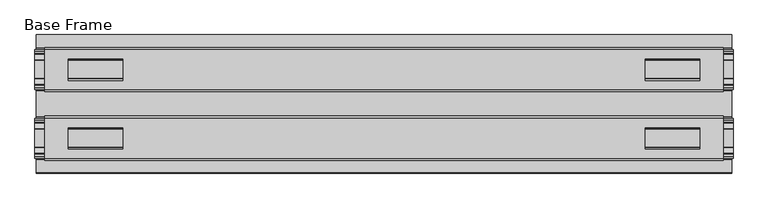
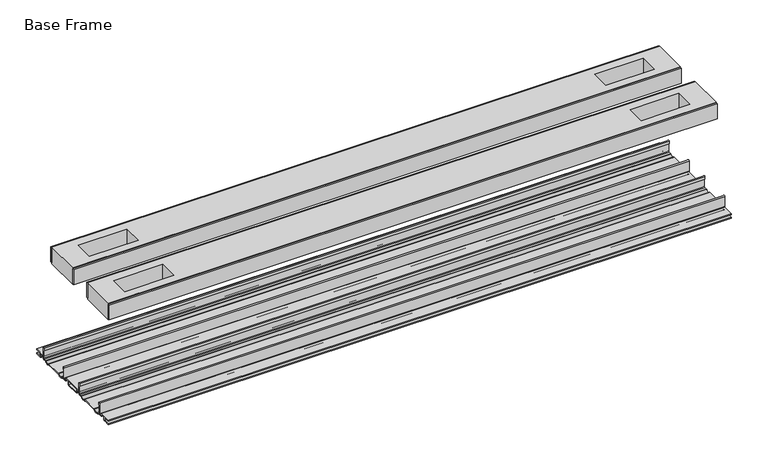
"""IFC4 building model written with IfcOpenShell, lengths in millimetres: proxy geometry, Base Frame."""

import ifcopenshell
import ifcopenshell.guid

model = None  # the IFC model being written
_history = None  # IfcOwnerHistory: only IFC2X3 demands one
_inside = {}  # id of a spatial element -> (the spatial element, [elements in it])
_under = {}  # id of a project, library or spatial element -> (it, [spatial elements below it])
_declared = {}  # id of a project -> (the project, [libraries it declares])
_typed = {}  # id of a type object -> (the type object, [elements of that type])
_made_of = {}  # id of a material, layer set ... -> (it, [elements and type objects made of it])


def new_model(schema):
    """Start an empty IFC model of exactly this schema.

    Asked for "IFC4X3", IfcOpenShell would pick the latest addendum, in which some entities
    have other attributes; the version numbers below select the first issue.
    IFC2X3 requires an IfcOwnerHistory on every rooted entity: one is made here for all.
    """
    global model, _history
    if schema == "IFC4X3":
        model = ifcopenshell.file(schema_version=(4, 3, 0, 0))
    else:
        model = ifcopenshell.file(schema=schema)
    _inside.clear()
    _under.clear()
    _declared.clear()
    _typed.clear()
    _made_of.clear()
    _history = None
    if model.schema == "IFC2X3":
        org = make("IfcOrganization", Name="unknown")
        user = make(
            "IfcPersonAndOrganization",
            ThePerson=make("IfcPerson", FamilyName="unknown"),
            TheOrganization=org,
        )
        app = make(
            "IfcApplication",
            ApplicationDeveloper=org,
            Version="unknown",
            ApplicationFullName="unknown",
            ApplicationIdentifier="unknown",
        )
        _history = make(
            "IfcOwnerHistory",
            OwningUser=user,
            OwningApplication=app,
            ChangeAction="ADDED",
            CreationDate=0,
        )
    return model


def make(cls, **values):
    """One entity of the class cls with the attributes given. An attribute that is None is left unset."""
    return model.create_entity(
        cls, **{name: value for name, value in values.items() if value is not None}
    )


def rooted(cls, **values):
    """An entity with a GlobalId (a new one), such as an element, a storey or a relation."""
    return make(cls, GlobalId=ifcopenshell.guid.new(), OwnerHistory=_history, **values)


def si_unit(unit_type, name, prefix=None):
    """IfcSIUnit, for example si_unit("LENGTHUNIT", "METRE", prefix="MILLI")."""
    return make("IfcSIUnit", UnitType=unit_type, Prefix=prefix, Name=name)


def assignment(units):
    """IfcUnitAssignment: the units of a project."""
    return None if units is None else make("IfcUnitAssignment", Units=units)


def point(xyz):
    """IfcCartesianPoint."""
    return None if xyz is None else make("IfcCartesianPoint", Coordinates=xyz)


def direction(xyz):
    """IfcDirection."""
    return None if xyz is None else make("IfcDirection", DirectionRatios=xyz)


def frame(location, z_axis=None, x_axis=None):
    """IfcAxis2Placement3D, a coordinate frame: its origin and axes. An axis left out is left unset."""
    return make(
        "IfcAxis2Placement3D",
        Location=point(location),
        Axis=direction(z_axis),
        RefDirection=direction(x_axis),
    )


def frame_2d(location, x_axis=None):
    """IfcAxis2Placement2D, a coordinate frame in the plane: its origin and x axis."""
    return make(
        "IfcAxis2Placement2D", Location=point(location), RefDirection=direction(x_axis)
    )


def origin():
    """The frame at (0, 0, 0) with its axes left unset."""
    return frame((0.0, 0.0, 0.0))


def place(relative_to, where):
    """IfcLocalPlacement: puts the frame where relative to a parent placement (None: the world)."""
    return make(
        "IfcLocalPlacement", PlacementRelTo=relative_to, RelativePlacement=where
    )


def context(
    kind, dimensions, precision=None, world=None, true_north=None, identifier=None
):
    """IfcGeometricRepresentationContext, for example the 3D "Model" context."""
    return make(
        "IfcGeometricRepresentationContext",
        ContextIdentifier=identifier,
        ContextType=kind,
        CoordinateSpaceDimension=dimensions,
        Precision=precision,
        WorldCoordinateSystem=world,
        TrueNorth=true_north,
    )


def project(units=None, contexts=None):
    """IfcProject with its units and contexts."""
    return rooted(
        "IfcProject",
        Name="project",
        RepresentationContexts=contexts,
        UnitsInContext=assignment(units),
    )


def spatial(cls, under=None, at=None, **own):
    """A site, building, storey or space (cls), placed at a placement, below another one or the project."""
    s = rooted(cls, ObjectPlacement=at, **own)
    if under is not None:
        _under.setdefault(under.id(), (under, []))[1].append(s)
    return s


def polyline(points):
    """IfcPolyline through the points."""
    return make("IfcPolyline", Points=[point(p) for p in points])


def circle_curve(where, radius):
    """IfcCircle in the frame where."""
    return make("IfcCircle", Position=where, Radius=radius)


def trimmed(basis, trim1, trim2, sense, master):
    """IfcTrimmedCurve: the piece of a basis curve between two trims."""
    return make(
        "IfcTrimmedCurve",
        BasisCurve=basis,
        Trim1=trim1,
        Trim2=trim2,
        SenseAgreement=sense,
        MasterRepresentation=master,
    )


def segment(curve, same_sense, transition):
    """IfcCompositeCurveSegment."""
    return make(
        "IfcCompositeCurveSegment",
        Transition=transition,
        SameSense=same_sense,
        ParentCurve=curve,
    )


def composite_curve(segments, self_intersect=None):
    """IfcCompositeCurve: segments joined end to end."""
    return make("IfcCompositeCurve", Segments=segments, SelfIntersect=self_intersect)


def outline(outer, holes=None, kind="AREA"):
    """IfcArbitraryClosedProfileDef: a profile drawn as a closed curve; with holes, ...WithVoids."""
    if holes is None:
        return make("IfcArbitraryClosedProfileDef", ProfileType=kind, OuterCurve=outer)
    return make(
        "IfcArbitraryProfileDefWithVoids",
        ProfileType=kind,
        OuterCurve=outer,
        InnerCurves=holes,
    )


def extrude(swept, where, along, depth):
    """IfcExtrudedAreaSolid: the profile swept, set in the frame where, extruded along a direction by depth."""
    return make(
        "IfcExtrudedAreaSolid",
        SweptArea=swept,
        Position=where,
        ExtrudedDirection=direction(along),
        Depth=depth,
    )


def shape(context_of_items, identifier, shape_type, items):
    """IfcShapeRepresentation: the items that make up one representation, for example the "Body"."""
    return make(
        "IfcShapeRepresentation",
        ContextOfItems=context_of_items,
        RepresentationIdentifier=identifier,
        RepresentationType=shape_type,
        Items=items,
    )


def source(mapping_origin, context_of_items, identifier, shape_type, items):
    """IfcRepresentationMap: a shape defined once, which mapped items show again and again."""
    return make(
        "IfcRepresentationMap",
        MappingOrigin=mapping_origin,
        MappedRepresentation=shape(context_of_items, identifier, shape_type, items),
    )


def transform(
    local_origin,
    x_axis=None,
    y_axis=None,
    z_axis=None,
    scale=None,
    scale2=None,
    scale3=None,
    uniform=True,
):
    """IfcCartesianTransformationOperator3D, or its non-uniform kind. x_axis, y_axis, z_axis: its Axis1, 2, 3."""
    if uniform:
        return make(
            "IfcCartesianTransformationOperator3D",
            Axis1=direction(x_axis),
            Axis2=direction(y_axis),
            LocalOrigin=point(local_origin),
            Scale=scale,
            Axis3=direction(z_axis),
        )
    return make(
        "IfcCartesianTransformationOperator3DnonUniform",
        Axis1=direction(x_axis),
        Axis2=direction(y_axis),
        LocalOrigin=point(local_origin),
        Scale=scale,
        Axis3=direction(z_axis),
        Scale2=scale2,
        Scale3=scale3,
    )


def mapped(mapping_source, mapping_target):
    """IfcMappedItem: shows the shape of a source again, moved by a transform."""
    return make(
        "IfcMappedItem", MappingSource=mapping_source, MappingTarget=mapping_target
    )


def made_of(thing, what):
    """Note that an element or type object is made of a material, layer set ...; save() writes the relation."""
    if what is not None:
        _made_of.setdefault(what.id(), (what, []))[1].append(thing)
    return thing


def element(
    cls,
    number,
    at=None,
    inside=None,
    cuts=None,
    type_object=None,
    material=None,
    context=None,
    identifier="Body",
    shape_type=None,
    held_by="IfcProductDefinitionShape",
    body=None,
    shapes=None,
    **own,
):
    """One element of the class cls, such as IfcWall. Its Tag is "e" and its number.

    at: its placement. inside: the storey or other place that contains it. cuts: it is an
    opening in that element (IfcRelVoidsElement). A single representation is given by context,
    identifier, shape_type and body (its items); several are given by shapes. held_by: the class
    of the entity that holds the representations. save() writes the other relations.
    """
    e = rooted(cls, Tag="e%d" % number, ObjectPlacement=at, **own)
    if body is not None:
        shapes = [shape(context, identifier, shape_type, body)]
    if shapes is not None:
        e.Representation = make(held_by, Representations=shapes)
    if inside is not None:
        _inside.setdefault(inside.id(), (inside, []))[1].append(e)
    if cuts is not None:
        rooted(
            "IfcRelVoidsElement", RelatingBuildingElement=cuts, RelatedOpeningElement=e
        )
    if type_object is not None:
        _typed.setdefault(type_object.id(), (type_object, []))[1].append(e)
    return made_of(e, material)


def aggregate(whole, parts):
    """IfcRelAggregates: a whole, such as a stair, and the parts it consists of."""
    return rooted("IfcRelAggregates", RelatingObject=whole, RelatedObjects=parts)


def save(model, path):
    """Write the relations noted so far, then the file.

    IfcRelAggregates (storeys below a building ...), IfcRelContainedInSpatialStructure (elements
    in a storey), IfcRelDefinesByType, IfcRelAssociatesMaterial and IfcRelDeclares: one each for
    every whole, place, type object, material and project.
    """
    for whole, parts in _under.values():
        aggregate(whole, parts)
    for where, things in _inside.values():
        rooted(
            "IfcRelContainedInSpatialStructure",
            RelatedElements=things,
            RelatingStructure=where,
        )
    for kind, things in _typed.values():
        rooted("IfcRelDefinesByType", RelatedObjects=things, RelatingType=kind)
    for what, things in _made_of.values():
        rooted("IfcRelAssociatesMaterial", RelatedObjects=things, RelatingMaterial=what)
    for by, libraries in _declared.values():
        rooted("IfcRelDeclares", RelatingContext=by, RelatedDefinitions=libraries)
    model.write(path)


def base_frame_da0cdc5c(model_context):
    return source(origin(), model_context, "Body", "SweptSolid", [
        extrude(outline(composite_curve([segment(polyline([(-78.8225461, -7.7516037), (-78.8225461, 9.8607558)]), True, "CONTINUOUS"), segment(trimmed(circle_curve(frame_2d((-77.6033482, 9.8607558)), 1.2191979), [point((-78.8225461, 9.8607558))], [point((-76.3841503, 9.8607558))], False, "CARTESIAN"), True, "CONTINUOUS"), segment(polyline([(-76.3841503, 9.8607558), (-76.3841503, 5.9999563), (-77.6643269, 5.9999563), (-77.6643269, -7.7516037)]), True, "CONTINUOUS"), segment(trimmed(circle_curve(frame_2d((-76.6483061, -7.7516037)), 1.0160208), [point((-77.6643269, -7.7516037))], [point((-76.6548232, -8.7676036))], True, "CARTESIAN"), True, "CONTINUOUS"), segment(polyline([(-76.6548232, -8.7676036), (-72.7118726, -8.7676036), (-71.7985108, -8.968753)]), True, "CONTINUOUS"), segment(trimmed(circle_curve(frame_2d((-67.7735521, -6.1259382)), 4.9276657), [point((-71.7985108, -8.968753))], [point((-63.7485934, -8.968753))], True, "CARTESIAN"), True, "CONTINUOUS"), segment(polyline([(-63.7485934, -8.968753), (-62.8352226, -8.7676036), (-36.7962778, -8.7676036), (-35.8829069, -8.968753)]), True, "CONTINUOUS"), segment(trimmed(circle_curve(frame_2d((-31.8579482, -6.1259382)), 4.9276657), [point((-35.8829069, -8.968753))], [point((-27.8329895, -8.968753))], True, "CARTESIAN"), True, "CONTINUOUS"), segment(polyline([(-27.8329895, -8.968753), (-26.9196277, -8.7676036), (-22.9766772, -8.7676036)]), True, "CONTINUOUS"), segment(trimmed(circle_curve(frame_2d((-22.9831943, -7.7516037)), 1.0160208), [point((-22.9766772, -8.7676036))], [point((-21.9671735, -7.7516037))], True, "CARTESIAN"), True, "CONTINUOUS"), segment(polyline([(-21.9671735, -7.7516037), (-21.9671735, 5.9999563), (-23.2473501, 5.9999563), (-23.2473501, 9.8607558)]), True, "CONTINUOUS"), segment(trimmed(circle_curve(frame_2d((-22.0281522, 9.8607558)), 1.2191979), [point((-23.2473501, 9.8607558))], [point((-20.8089542, 9.8607558))], False, "CARTESIAN"), True, "CONTINUOUS"), segment(polyline([(-20.8089542, 9.8607558), (-20.8089542, -7.7516037)]), True, "CONTINUOUS"), segment(trimmed(circle_curve(frame_2d((-22.9831943, -7.7516037)), 2.17424), [point((-20.8089542, -7.7516037))], [point((-22.9831943, -9.9258438))], False, "CARTESIAN"), True, "CONTINUOUS"), segment(polyline([(-22.9831943, -9.9258438), (-27.274181, -9.9258438)]), True, "CONTINUOUS"), segment(trimmed(circle_curve(frame_2d((-31.8545955, -6.4800016)), 5.7318431), [point((-27.274181, -9.9258438))], [point((-36.43501, -9.9258438))], False, "CARTESIAN"), True, "CONTINUOUS"), segment(polyline([(-36.43501, -9.9258438), (-63.1964904, -9.9258438)]), True, "CONTINUOUS"), segment(trimmed(circle_curve(frame_2d((-67.7769049, -6.4800016)), 5.7318431), [point((-63.1964904, -9.9258438))], [point((-72.3573194, -9.9258438))], False, "CARTESIAN"), True, "CONTINUOUS"), segment(polyline([(-72.3573194, -9.9258438), (-76.6483061, -9.9258438)]), True, "CONTINUOUS"), segment(trimmed(circle_curve(frame_2d((-76.6483061, -7.7516037)), 2.17424), [point((-76.6483061, -9.9258438))], [point((-78.8225461, -7.7516037))], False, "CARTESIAN"), True, "CONTINUOUS")], self_intersect=False)), frame((-506.1204, 0.0, 0.0), z_axis=(1.0, 0.0, 0.0), x_axis=(0.0, 1.0, 0.0)), (0.0, 0.0, 1.0), 1012.2408),
        extrude(outline(composite_curve([segment(trimmed(circle_curve(frame_2d((77.0293057, -7.7516037)), 2.17424), [point((79.2035458, -7.7516037))], [point((77.0293057, -9.9258438))], False, "CARTESIAN"), True, "CONTINUOUS"), segment(polyline([(77.0293057, -9.9258438), (72.738319, -9.9258438)]), True, "CONTINUOUS"), segment(trimmed(circle_curve(frame_2d((68.1579045, -6.4800016)), 5.7318431), [point((72.738319, -9.9258438))], [point((63.57749, -9.9258438))], False, "CARTESIAN"), True, "CONTINUOUS"), segment(polyline([(63.57749, -9.9258438), (36.8160096, -9.9258438)]), True, "CONTINUOUS"), segment(trimmed(circle_curve(frame_2d((32.2355951, -6.4800016)), 5.7318431), [point((36.8160096, -9.9258438))], [point((27.6551806, -9.9258438))], False, "CARTESIAN"), True, "CONTINUOUS"), segment(polyline([(27.6551806, -9.9258438), (23.3641939, -9.9258438)]), True, "CONTINUOUS"), segment(trimmed(circle_curve(frame_2d((23.3641939, -7.7516037)), 2.17424), [point((23.3641939, -9.9258438))], [point((21.1899539, -7.7516037))], False, "CARTESIAN"), True, "CONTINUOUS"), segment(polyline([(21.1899539, -7.7516037), (21.1899539, 9.8607558)]), True, "CONTINUOUS"), segment(trimmed(circle_curve(frame_2d((22.4091518, 9.8607558)), 1.2191979), [point((21.1899539, 9.8607558))], [point((23.6283497, 9.8607558))], False, "CARTESIAN"), True, "CONTINUOUS"), segment(polyline([(23.6283497, 9.8607558), (23.6283497, 5.9999563), (22.3481731, 5.9999563), (22.3481731, -7.7516037)]), True, "CONTINUOUS"), segment(trimmed(circle_curve(frame_2d((23.3641939, -7.7516037)), 1.0160208), [point((22.3481731, -7.7516037))], [point((23.3576768, -8.7676036))], True, "CARTESIAN"), True, "CONTINUOUS"), segment(polyline([(23.3576768, -8.7676036), (27.3006274, -8.7676036), (28.2139892, -8.968753)]), True, "CONTINUOUS"), segment(trimmed(circle_curve(frame_2d((32.2389479, -6.1259382)), 4.9276657), [point((28.2139892, -8.968753))], [point((36.2639066, -8.968753))], True, "CARTESIAN"), True, "CONTINUOUS"), segment(polyline([(36.2639066, -8.968753), (37.1772774, -8.7676036), (63.2162222, -8.7676036), (64.1295931, -8.968753)]), True, "CONTINUOUS"), segment(trimmed(circle_curve(frame_2d((68.1545518, -6.1259382)), 4.9276657), [point((64.1295931, -8.968753))], [point((72.1795105, -8.968753))], True, "CARTESIAN"), True, "CONTINUOUS"), segment(polyline([(72.1795105, -8.968753), (73.0928723, -8.7676036), (77.0358228, -8.7676036)]), True, "CONTINUOUS"), segment(trimmed(circle_curve(frame_2d((77.0293057, -7.7516037)), 1.0160208), [point((77.0358228, -8.7676036))], [point((78.0453265, -7.7516037))], True, "CARTESIAN"), True, "CONTINUOUS"), segment(polyline([(78.0453265, -7.7516037), (78.0453265, 5.9999563), (76.7651499, 5.9999563), (76.7651499, 9.8607558)]), True, "CONTINUOUS"), segment(trimmed(circle_curve(frame_2d((77.9843478, 9.8607558)), 1.2191979), [point((76.7651499, 9.8607558))], [point((79.2035458, 9.8607558))], False, "CARTESIAN"), True, "CONTINUOUS"), segment(polyline([(79.2035458, 9.8607558), (79.2035458, -7.7516037)]), True, "CONTINUOUS")], self_intersect=False)), frame((-506.1204, 0.0, 0.0), z_axis=(1.0, 0.0, 0.0), x_axis=(0.0, 1.0, 0.0)), (0.0, 0.0, 1.0), 1012.2408),
        extrude(outline(polyline([(492.0615091, -78.8225461), (492.0615091, -81.9975522), (-492.0615091, -81.9975522), (-492.0615091, -78.8225461), (492.0615091, -78.8225461)])), frame((0.0, 0.0, 149.8401622), z_axis=(0.0, 0.0, 1.0), x_axis=(1.0, 0.0, 0.0)), (0.0, 0.0, 1.0), 25.3999939),
        extrude(outline(polyline([(492.0615091, -17.6339482), (492.0615091, -20.8089542), (-492.0615091, -20.8089542), (-492.0615091, -17.6339482), (492.0615091, -17.6339482)])), frame((0.0, 0.0, 149.8401622), z_axis=(0.0, 0.0, 1.0), x_axis=(1.0, 0.0, 0.0)), (0.0, 0.0, 1.0), 25.3999939),
        extrude(outline(polyline([(492.0615091, 21.1899493), (492.0615091, 18.0149501), (-492.0615091, 18.0149501), (-492.0615091, 21.1899493), (492.0615091, 21.1899493)])), frame((0.0, 0.0, 149.8401622), z_axis=(0.0, 0.0, 1.0), x_axis=(1.0, 0.0, 0.0)), (0.0, 0.0, 1.0), 25.3999939),
        extrude(outline(polyline([(492.0615091, 82.3785496), (492.0615091, 79.2035503), (-492.0615091, 79.2035503), (-492.0615091, 82.3785496), (492.0615091, 82.3785496)])), frame((0.0, 0.0, 149.8401622), z_axis=(0.0, 0.0, 1.0), x_axis=(1.0, 0.0, 0.0)), (0.0, 0.0, 1.0), 25.3999939),
        extrude(outline(polyline([(492.0615091, 79.2035503), (492.0615091, 21.1899493), (-492.0615091, 21.1899493), (-492.0615091, 79.2035503), (492.0615091, 79.2035503)]), holes=[polyline([(457.6444965, 65.3097536), (378.5996847, 65.3097536), (378.5996847, 34.3217468), (457.6444965, 34.3217468), (457.6444965, 65.3097536)]), polyline([(-457.6444965, 65.3097536), (-457.6444965, 34.3217468), (-378.5996847, 34.3217468), (-378.5996847, 65.3097536), (-457.6444965, 65.3097536)])]), frame((0.0, 0.0, 148.4185847), z_axis=(0.0, 0.0, 1.0), x_axis=(1.0, 0.0, 0.0)), (0.0, 0.0, 1.0), 27.9999988),
        extrude(outline(polyline([(492.0615091, -78.8225461), (-492.0615091, -78.8225461), (-492.0615091, -20.8224524), (492.0615091, -20.8224524), (492.0615091, -78.8225461)]), holes=[polyline([(457.6444965, -65.3097536), (457.6444965, -34.3217468), (378.5996847, -34.3217468), (378.5996847, -65.3097536), (457.6444965, -65.3097536)]), polyline([(-457.6444965, -65.3097536), (-378.5996847, -65.3097536), (-378.5996847, -34.3217468), (-457.6444965, -34.3217468), (-457.6444965, -65.3097536)])]), frame((0.0, 0.0, 148.4185847), z_axis=(0.0, 0.0, 1.0), x_axis=(1.0, 0.0, 0.0)), (0.0, 0.0, 1.0), 27.9999988),
        extrude(outline(composite_curve([segment(polyline([(-100.2730922, -13.9898438), (-100.2302711, -12.3388438), (-89.7890007, -12.3388438), (-89.7890007, -7.766844), (-100.2302711, -7.766844), (-100.2730922, -6.1158439), (-81.1847475, -6.1158439)]), True, "CONTINUOUS"), segment(trimmed(circle_curve(frame_2d((-81.1847475, -7.6398436)), 1.5239997), [point((-81.1847475, -6.1158439))], [point((-79.6607478, -7.6398436))], False, "CARTESIAN"), True, "CONTINUOUS"), segment(polyline([(-79.6607478, -7.6398436), (-79.6607478, -9.9258438), (-73.1120844, -9.9258438)]), True, "CONTINUOUS"), segment(trimmed(circle_curve(frame_2d((-67.7735521, -5.2268471)), 7.1119966), [point((-73.1120844, -9.9258438))], [point((-62.4350199, -9.9258438))], True, "CARTESIAN"), True, "CONTINUOUS"), segment(polyline([(-62.4350199, -9.9258438), (-37.1964805, -9.9258438)]), True, "CONTINUOUS"), segment(trimmed(circle_curve(frame_2d((-31.8579482, -5.2268471)), 7.1119966), [point((-37.1964805, -9.9258438))], [point((-26.519416, -9.9258438))], True, "CARTESIAN"), True, "CONTINUOUS"), segment(polyline([(-26.519416, -9.9258438), (-19.9707525, -9.9258438), (-19.9707525, -7.7656583)]), True, "CONTINUOUS"), segment(trimmed(circle_curve(frame_2d((-18.3197518, -7.7656583)), 1.6510007), [point((-19.9707525, -7.7656583))], [point((-18.3823282, -6.1158439))], False, "CARTESIAN"), True, "CONTINUOUS"), segment(polyline([(-18.3823282, -6.1158439), (18.7633278, -6.1158439)]), True, "CONTINUOUS"), segment(trimmed(circle_curve(frame_2d((18.7007515, -7.7656583)), 1.6510007), [point((18.7633278, -6.1158439))], [point((20.3517522, -7.7656583))], False, "CARTESIAN"), True, "CONTINUOUS"), segment(polyline([(20.3517522, -7.7656583), (20.3517522, -9.9258438), (26.9004156, -9.9258438)]), True, "CONTINUOUS"), segment(trimmed(circle_curve(frame_2d((32.2389479, -5.2268471)), 7.1119966), [point((26.9004156, -9.9258438))], [point((37.5774801, -9.9258438))], True, "CARTESIAN"), True, "CONTINUOUS"), segment(polyline([(37.5774801, -9.9258438), (62.8160195, -9.9258438)]), True, "CONTINUOUS"), segment(trimmed(circle_curve(frame_2d((68.1545518, -5.2268471)), 7.1119966), [point((62.8160195, -9.9258438))], [point((73.493084, -9.9258438))], True, "CARTESIAN"), True, "CONTINUOUS"), segment(polyline([(73.493084, -9.9258438), (80.0417475, -9.9258438), (80.0417475, -7.7656583)]), True, "CONTINUOUS"), segment(trimmed(circle_curve(frame_2d((81.6927482, -7.7656583)), 1.6510007), [point((80.0417475, -7.7656583))], [point((81.6301718, -6.1158439))], False, "CARTESIAN"), True, "CONTINUOUS"), segment(polyline([(81.6301718, -6.1158439), (100.6540918, -6.1158439), (100.6112708, -7.766844), (90.1700003, -7.766844), (90.1700003, -12.3388438), (100.6112708, -12.3388438), (100.6540918, -13.9898438), (90.0430018, -13.9898438)]), True, "CONTINUOUS"), segment(trimmed(circle_curve(frame_2d((90.0430018, -12.4658438)), 1.524), [point((90.0430018, -13.9898438))], [point((88.5190019, -12.4658438))], False, "CARTESIAN"), True, "CONTINUOUS"), segment(polyline([(88.5190019, -12.4658438), (88.5190019, -7.766844), (81.692747, -7.766844), (81.692747, -10.0528438)]), True, "CONTINUOUS"), segment(trimmed(circle_curve(frame_2d((80.1687471, -10.0528438)), 1.524), [point((81.692747, -10.0528438))], [point((80.1687471, -11.5768438))], False, "CARTESIAN"), True, "CONTINUOUS"), segment(polyline([(80.1687471, -11.5768438), (73.6626049, -11.5768438)]), True, "CONTINUOUS"), segment(trimmed(circle_curve(frame_2d((68.1545518, -6.4968436)), 7.4930002), [point((73.6626049, -11.5768438))], [point((62.8967468, -11.8354331))], False, "CARTESIAN"), True, "CONTINUOUS"), segment(polyline([(62.8967468, -11.8354331), (37.4967528, -11.8354331)]), True, "CONTINUOUS"), segment(trimmed(circle_curve(frame_2d((32.2389479, -6.4968436)), 7.4930002), [point((37.4967528, -11.8354331))], [point((26.7308947, -11.5768438))], False, "CARTESIAN"), True, "CONTINUOUS"), segment(polyline([(26.7308947, -11.5768438), (20.2247526, -11.5768438)]), True, "CONTINUOUS"), segment(trimmed(circle_curve(frame_2d((20.2247526, -10.0528438)), 1.524), [point((20.2247526, -11.5768438))], [point((18.7007526, -10.0528438))], False, "CARTESIAN"), True, "CONTINUOUS"), segment(polyline([(18.7007526, -10.0528438), (18.7007526, -7.766844), (11.8744978, -7.766844), (11.8744978, -12.4658438)]), True, "CONTINUOUS"), segment(trimmed(circle_curve(frame_2d((10.3504978, -12.4658438)), 1.524), [point((11.8744978, -12.4658438))], [point((10.3504978, -13.9898438))], False, "CARTESIAN"), True, "CONTINUOUS"), segment(polyline([(10.3504978, -13.9898438), (-9.9694982, -13.9898438)]), True, "CONTINUOUS"), segment(trimmed(circle_curve(frame_2d((-9.9694982, -12.4658438)), 1.524), [point((-9.9694982, -13.9898438))], [point((-11.4934981, -12.4658438))], False, "CARTESIAN"), True, "CONTINUOUS"), segment(polyline([(-11.4934981, -12.4658438), (-11.4934981, -7.766844), (-18.319753, -7.766844), (-18.319753, -10.0528438)]), True, "CONTINUOUS"), segment(trimmed(circle_curve(frame_2d((-19.8437529, -10.0528438)), 1.524), [point((-18.319753, -10.0528438))], [point((-19.8437529, -11.5768438))], False, "CARTESIAN"), True, "CONTINUOUS"), segment(polyline([(-19.8437529, -11.5768438), (-26.3498951, -11.5768438)]), True, "CONTINUOUS"), segment(trimmed(circle_curve(frame_2d((-31.8579482, -6.4968436)), 7.4930002), [point((-26.3498951, -11.5768438))], [point((-37.1157532, -11.8354331))], False, "CARTESIAN"), True, "CONTINUOUS"), segment(polyline([(-37.1157532, -11.8354331), (-62.5157472, -11.8354331)]), True, "CONTINUOUS"), segment(trimmed(circle_curve(frame_2d((-67.7735521, -6.4968436)), 7.4930002), [point((-62.5157472, -11.8354331))], [point((-73.2816053, -11.5768438))], False, "CARTESIAN"), True, "CONTINUOUS"), segment(polyline([(-73.2816053, -11.5768438), (-79.7877474, -11.5768438)]), True, "CONTINUOUS"), segment(trimmed(circle_curve(frame_2d((-79.7877474, -10.0528438)), 1.524), [point((-79.7877474, -11.5768438))], [point((-81.3117474, -10.0528438))], False, "CARTESIAN"), True, "CONTINUOUS"), segment(polyline([(-81.3117474, -10.0528438), (-81.3117474, -7.766844), (-88.1380022, -7.766844), (-88.1380022, -12.4658438)]), True, "CONTINUOUS"), segment(trimmed(circle_curve(frame_2d((-89.6620022, -12.4658438)), 1.524), [point((-88.1380022, -12.4658438))], [point((-89.6620022, -13.9898438))], False, "CARTESIAN"), True, "CONTINUOUS"), segment(polyline([(-89.6620022, -13.9898438), (-100.2730922, -13.9898438)]), True, "CONTINUOUS")], self_intersect=False), holes=[polyline([(-9.8424997, -12.3388438), (10.2234993, -12.3388438), (10.2234993, -7.766844), (-9.8424997, -7.766844), (-9.8424997, -12.3388438)])]), frame((-504.4694, 0.0, 0.0), z_axis=(1.0, 0.0, 0.0), x_axis=(0.0, 1.0, 0.0)), (0.0, 0.0, 1.0), 1008.9388),
    ])


if __name__ == "__main__":
    model = new_model("IFC4")
    model_context = context("Model", 3, world=origin())
    ifc_project = project(units=[si_unit("LENGTHUNIT", "METRE", prefix="MILLI")], contexts=[model_context])
    site = spatial("IfcSite", under=ifc_project)
    building = spatial("IfcBuilding", under=site)
    placement = place(None, origin())
    base_frame_shape = base_frame_da0cdc5c(model_context)
    element("IfcBuildingElementProxy", 1, Name="Base Frame", ObjectType="Base Frame", at=placement, inside=building, context=model_context, shape_type="MappedRepresentation", body=[
        mapped(base_frame_shape, transform((0.0, 0.0, 0.0), x_axis=(1.0, 0.0, 0.0), y_axis=(0.0, 1.0, 0.0), z_axis=(0.0, 0.0, 1.0))),
    ])
    save(model, "model.ifc")
